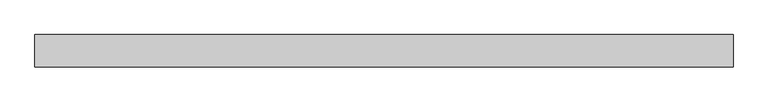
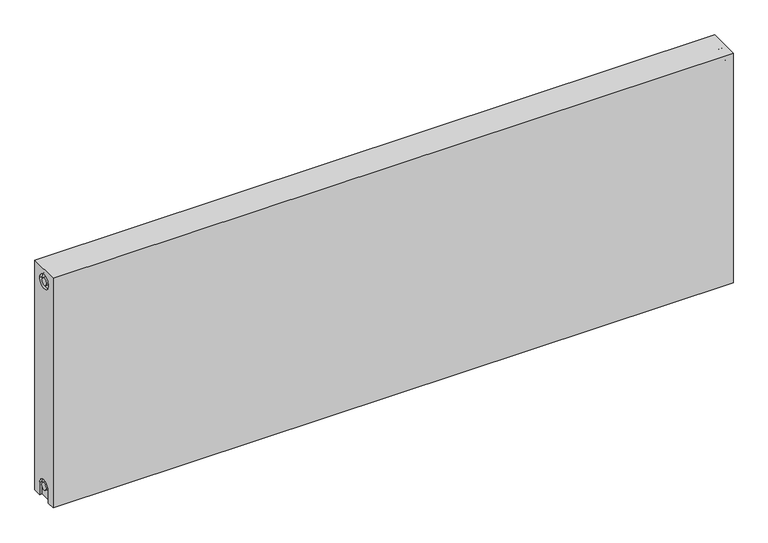
"""IFC4 building model written with IfcOpenShell, lengths in millimetres: proxy geometry."""

from ifc_helpers import new_model, si_unit, frame, origin, place, context, project, spatial, polyline, circle_curve, source, transform, mapped, element, save
from ifc_brep_helpers import plane_surface, cylinder_surface, revolved_surface, advanced_brep


def mechanical_equipment_c8d5f8a6(model_context):
    return source(origin(), model_context, "Body", "AdvancedBrep", [
        advanced_brep(
        [(1400.0, 32.5, 500.0), (1400.0, 32.5, 0.0), (0.0, 32.5, 0.0), (0.0, 32.5, 500.0), (1400.0, -32.5, 500.0), (0.0, -32.5, 500.0), (0.0, -32.5, 0.0), (1400.0, -32.5, 0.0), (1400.0, -15.0, 0.0), (1400.0, -15.0, 27.0), (1400.0, 15.0, 27.0), (1400.0, 15.0, 0.0), (1400.0, 14.7242393, 473.0), (1400.0, -15.2757607, 473.0), (1400.0, -7.5, 27.0), (1400.0, 7.5, 27.0), (1400.0, 7.2242393, 473.0), (1400.0, -7.7757607, 473.0), (1395.0, 15.0, 0.0), (1395.0, -15.0, 0.0), (0.0, -15.0, 0.0), (5.0, -15.0, 0.0), (5.0, 15.0, 0.0), (0.0, 15.0, 0.0), (0.0, 15.0, 27.0), (0.0, -15.0, 27.0), (0.0, -15.2757607, 473.0), (0.0, 14.7242393, 473.0), (0.0, -7.7757607, 473.0), (0.0, 7.2242393, 473.0), (0.0, 7.5682726, 27.0), (0.0, -7.4317274, 27.0), (5.0, -15.2757607, 473.0), (5.0, 14.7242393, 473.0), (5.0, -7.7757607, 473.0), (5.0, 7.2242393, 473.0), (5.0, -15.0, 27.0), (5.0, 15.0, 27.0), (5.0, -7.4317274, 27.0), (5.0, 7.5682726, 27.0), (1395.0, 15.0, 27.0), (1395.0, -15.0, 27.0), (1395.0, -7.5, 27.0), (1395.0, 7.5, 27.0), (1395.0, -15.2757607, 473.0), (1395.0, 14.7242393, 473.0), (1395.0, -7.7757607, 473.0), (1395.0, 7.2242393, 473.0)],
        [
            (0, 1),
            (1, 2),
            (2, 3),
            (3, 0),
            (4, 5),
            (5, 6),
            (6, 7),
            (7, 4),
            (0, 4),
            (7, 8),
            (8, 9),
            (9, 10, circle_curve(frame((1400.0, 0.0, 27.0), z_axis=(-1.0, 0.0, 0.0), x_axis=(0.0, 1.0, 0.0)), 15.0)),
            (10, 11),
            (11, 1),
            (12, 13, circle_curve(frame((1400.0, -0.2757607, 473.0), z_axis=(-1.0, 0.0, 0.0), x_axis=(0.0, 1.0, 0.0)), 15.0)),
            (13, 12, circle_curve(frame((1400.0, -0.2757607, 473.0), z_axis=(-1.0, 0.0, 0.0), x_axis=(0.0, 1.0, 0.0)), 15.0)),
            (14, 15, circle_curve(frame((1400.0, 0.0, 27.0), z_axis=(1.0, 0.0, 0.0), x_axis=(0.0, 1.0, 0.0)), 7.5)),
            (15, 14, circle_curve(frame((1400.0, 0.0, 27.0), z_axis=(1.0, 0.0, 0.0), x_axis=(0.0, 1.0, 0.0)), 7.5)),
            (16, 17, circle_curve(frame((1400.0, -0.2757607, 473.0), z_axis=(1.0, 0.0, 0.0), x_axis=(0.0, 1.0, 0.0)), 7.5)),
            (17, 16, circle_curve(frame((1400.0, -0.2757607, 473.0), z_axis=(1.0, 0.0, 0.0), x_axis=(0.0, 1.0, 0.0)), 7.5)),
            (11, 18),
            (18, 19),
            (19, 8),
            (6, 20),
            (20, 21),
            (21, 22),
            (22, 23),
            (23, 2),
            (23, 24),
            (24, 25, circle_curve(frame((0.0, 0.0, 27.0), z_axis=(1.0, 0.0, 0.0), x_axis=(0.0, 1.0, 0.0)), 15.0)),
            (25, 20),
            (5, 3),
            (26, 27, circle_curve(frame((0.0, -0.2757607, 473.0), z_axis=(1.0, 0.0, 0.0), x_axis=(0.0, 1.0, 0.0)), 15.0)),
            (27, 26, circle_curve(frame((0.0, -0.2757607, 473.0), z_axis=(1.0, 0.0, 0.0), x_axis=(0.0, 1.0, 0.0)), 15.0)),
            (28, 29, circle_curve(frame((0.0, -0.2757607, 473.0), z_axis=(-1.0, 0.0, 0.0), x_axis=(0.0, 1.0, 0.0)), 7.5)),
            (29, 28, circle_curve(frame((0.0, -0.2757607, 473.0), z_axis=(-1.0, 0.0, 0.0), x_axis=(0.0, 1.0, 0.0)), 7.5)),
            (30, 31, circle_curve(frame((0.0, 0.0682726, 27.0), z_axis=(-1.0, 0.0, 0.0), x_axis=(0.0, 1.0, 0.0)), 7.5)),
            (31, 30, circle_curve(frame((0.0, 0.0682726, 27.0), z_axis=(-1.0, 0.0, 0.0), x_axis=(0.0, 1.0, 0.0)), 7.5)),
            (32, 33, circle_curve(frame((5.0, -0.2757607, 473.0), z_axis=(-1.0, 0.0, 0.0), x_axis=(0.0, 1.0, 0.0)), 15.0)),
            (33, 32, circle_curve(frame((5.0, -0.2757607, 473.0), z_axis=(-1.0, 0.0, 0.0), x_axis=(0.0, 1.0, 0.0)), 15.0)),
            (34, 35, circle_curve(frame((5.0, -0.2757607, 473.0), z_axis=(1.0, 0.0, 0.0), x_axis=(0.0, 1.0, 0.0)), 7.5)),
            (35, 34, circle_curve(frame((5.0, -0.2757607, 473.0), z_axis=(1.0, 0.0, 0.0), x_axis=(0.0, 1.0, 0.0)), 7.5)),
            (33, 27),
            (26, 32),
            (35, 29),
            (28, 34),
            (21, 36),
            (36, 37, circle_curve(frame((5.0, 0.0, 27.0), z_axis=(-1.0, 0.0, 0.0), x_axis=(0.0, 1.0, 0.0)), 15.0)),
            (37, 22),
            (38, 39, circle_curve(frame((5.0, 0.0682726, 27.0), z_axis=(1.0, 0.0, 0.0), x_axis=(0.0, 1.0, 0.0)), 7.5)),
            (39, 38, circle_curve(frame((5.0, 0.0682726, 27.0), z_axis=(1.0, 0.0, 0.0), x_axis=(0.0, 1.0, 0.0)), 7.5)),
            (38, 31),
            (30, 39),
            (37, 24),
            (36, 25),
            (18, 40),
            (40, 41, circle_curve(frame((1395.0, 0.0, 27.0), z_axis=(1.0, 0.0, 0.0), x_axis=(0.0, 1.0, 0.0)), 15.0)),
            (41, 19),
            (42, 43, circle_curve(frame((1395.0, 0.0, 27.0), z_axis=(-1.0, 0.0, 0.0), x_axis=(0.0, 1.0, 0.0)), 7.5)),
            (43, 42, circle_curve(frame((1395.0, 0.0, 27.0), z_axis=(-1.0, 0.0, 0.0), x_axis=(0.0, 1.0, 0.0)), 7.5)),
            (43, 15),
            (14, 42),
            (10, 40),
            (9, 41),
            (44, 45, circle_curve(frame((1395.0, -0.2757607, 473.0), z_axis=(1.0, 0.0, 0.0), x_axis=(0.0, 1.0, 0.0)), 15.0)),
            (45, 44, circle_curve(frame((1395.0, -0.2757607, 473.0), z_axis=(1.0, 0.0, 0.0), x_axis=(0.0, 1.0, 0.0)), 15.0)),
            (46, 47, circle_curve(frame((1395.0, -0.2757607, 473.0), z_axis=(-1.0, 0.0, 0.0), x_axis=(0.0, 1.0, 0.0)), 7.5)),
            (47, 46, circle_curve(frame((1395.0, -0.2757607, 473.0), z_axis=(-1.0, 0.0, 0.0), x_axis=(0.0, 1.0, 0.0)), 7.5)),
            (44, 13),
            (12, 45),
            (46, 17),
            (16, 47),
        ],
        [
            plane_surface(frame((1400.0, 32.5, 500.0), z_axis=(0.0, 1.0, 0.0), x_axis=(0.0, 0.0, -1.0))),
            plane_surface(frame((1400.0, -32.5, 500.0), z_axis=(0.0, -1.0, 0.0), x_axis=(0.0, 0.0, 1.0))),
            plane_surface(frame((1400.0, 32.5, 500.0), z_axis=(1.0, 0.0, 0.0), x_axis=(0.0, -1.0, 0.0))),
            plane_surface(frame((1400.0, 32.5, 0.0), z_axis=(0.0, 0.0, -1.0), x_axis=(0.0, -1.0, 0.0))),
            plane_surface(frame((0.0, 32.5, 0.0), z_axis=(-1.0, 0.0, 0.0), x_axis=(0.0, -1.0, 0.0))),
            plane_surface(frame((0.0, 32.5, 500.0), z_axis=(0.0, 0.0, 1.0), x_axis=(0.0, -1.0, 0.0))),
            plane_surface(frame((5.0, 14.7242393, 473.0), z_axis=(-1.0, 0.0, 0.0), x_axis=(0.0, 0.0, 1.0))),
            revolved_surface(polyline([(5.0, 14.7242393, 473.0), (0.0, 14.7242393, 473.0)]), (0.0, -0.2757607, 473.0), (1.0, 0.0, 0.0)),
            cylinder_surface(frame((0.0, -0.2757607, 473.0), z_axis=(-1.0, 0.0, 0.0), x_axis=(0.0, 1.0, 0.0)), 7.5),
            plane_surface(frame((5.0, 7.5682726, 27.0), z_axis=(-1.0, 0.0, 0.0), x_axis=(0.0, 0.0, -1.0))),
            cylinder_surface(frame((0.0, 0.0682726, 27.0), z_axis=(-1.0, 0.0, 0.0), x_axis=(0.0, 1.0, 0.0)), 7.5),
            plane_surface(frame((5.0, 15.0, 0.0), z_axis=(0.0, -1.0, 0.0), x_axis=(-1.0, 0.0, 0.0))),
            revolved_surface(polyline([(5.0, 15.0, 27.0), (0.0, 15.0, 27.0)]), (0.0, 0.0, 27.0), (1.0, 0.0, 0.0)),
            plane_surface(frame((5.0, -15.0, 27.0), z_axis=(0.0, 1.0, 0.0), x_axis=(-1.0, 0.0, 0.0))),
            plane_surface(frame((1395.0, 7.5, 27.0), z_axis=(1.0, 0.0, 0.0), x_axis=(0.0, 0.0, 1.0))),
            cylinder_surface(frame((1395.0, 0.0, 27.0), z_axis=(-1.0, 0.0, 0.0), x_axis=(0.0, 1.0, 0.0)), 7.5),
            plane_surface(frame((1400.0, 15.0, 0.0), z_axis=(0.0, -1.0, 0.0), x_axis=(-1.0, 0.0, 0.0))),
            revolved_surface(polyline([(1400.0, 15.0, 27.0), (1395.0, 15.0, 27.0)]), (895.0, 0.0, 27.0), (1.0, 0.0, 0.0)),
            plane_surface(frame((1400.0, -15.0, 27.0), z_axis=(0.0, 1.0, 0.0), x_axis=(-1.0, 0.0, 0.0))),
            plane_surface(frame((1395.0, 14.7242393, 473.0), z_axis=(1.0, 0.0, 0.0), x_axis=(0.0, 0.0, -1.0))),
            revolved_surface(polyline([(1400.0, 14.7242393, 473.0), (1395.0, 14.7242393, 473.0)]), (1395.0, -0.2757607, 473.0), (1.0, 0.0, 0.0)),
            cylinder_surface(frame((895.0, -0.2757607, 473.0), z_axis=(-1.0, 0.0, 0.0), x_axis=(0.0, 1.0, 0.0)), 7.5),
        ],
        [
            (0, [[1, 2, 3, 4]]),
            (1, [[5, 6, 7, 8]]),
            (2, [[-1, 9, -8, 10, 11, 12, 13, 14], [15, 16]]),
            (2, [[17, 18]]),
            (2, [[19, 20]]),
            (3, [[-2, -14, 21, 22, 23, -10, -7, 24, 25, 26, 27, 28]]),
            (4, [[-3, -28, 29, 30, 31, -24, -6, 32], [33, 34]]),
            (4, [[35, 36]]),
            (4, [[37, 38]]),
            (5, [[-4, -32, -5, -9]]),
            (6, [[39, 40], [41, 42]]),
            (7, [[-40, 43, -33, 44]]),
            (7, [[-39, -44, -34, -43]]),
            (8, [[-42, 45, -35, 46]]),
            (8, [[-41, -46, -36, -45]]),
            (9, [[47, 48, 49, -26], [50, 51]]),
            (10, [[-50, 52, -37, 53]]),
            (10, [[-51, -53, -38, -52]]),
            (11, [[-49, 54, -29, -27]]),
            (12, [[-48, 55, -30, -54]]),
            (13, [[-47, -25, -31, -55]]),
            (14, [[56, 57, 58, -22], [59, 60]]),
            (15, [[-60, 61, -17, 62]]),
            (15, [[-59, -62, -18, -61]]),
            (16, [[-56, -21, -13, 63]]),
            (17, [[-57, -63, -12, 64]]),
            (18, [[-58, -64, -11, -23]]),
            (19, [[65, 66], [67, 68]]),
            (20, [[-65, 69, -15, 70]]),
            (20, [[-66, -70, -16, -69]]),
            (21, [[-67, 71, -19, 72]]),
            (21, [[-68, -72, -20, -71]]),
        ],
    ),
    ])


if __name__ == "__main__":
    model = new_model("IFC4")
    model_context = context("Model", 3, world=origin())
    ifc_project = project(units=[si_unit("LENGTHUNIT", "METRE", prefix="MILLI")], contexts=[model_context])
    site = spatial("IfcSite", under=ifc_project)
    building = spatial("IfcBuilding", under=site)
    placement = place(None, origin())
    mechanical_equipment_shape = mechanical_equipment_c8d5f8a6(model_context)
    element("IfcBuildingElementProxy", 1, Name="Mechanical Equipment", at=placement, inside=building, context=model_context, shape_type="MappedRepresentation", body=[
        mapped(mechanical_equipment_shape, transform((0.0, 0.0, 0.0), x_axis=(1.0, 0.0, 0.0), y_axis=(0.0, 1.0, 0.0), z_axis=(0.0, 0.0, 1.0))),
    ])
    save(model, "model.ifc")
